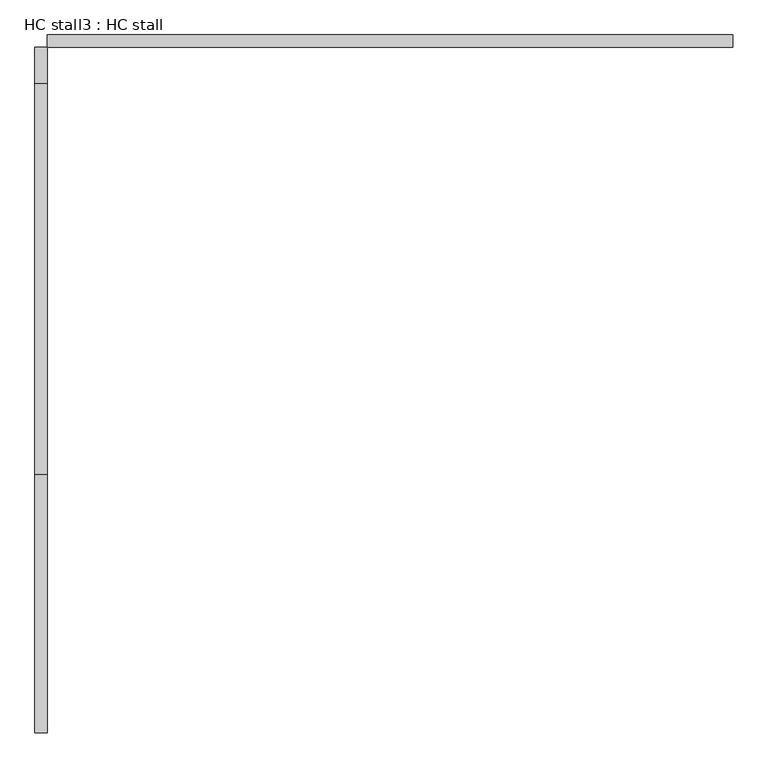
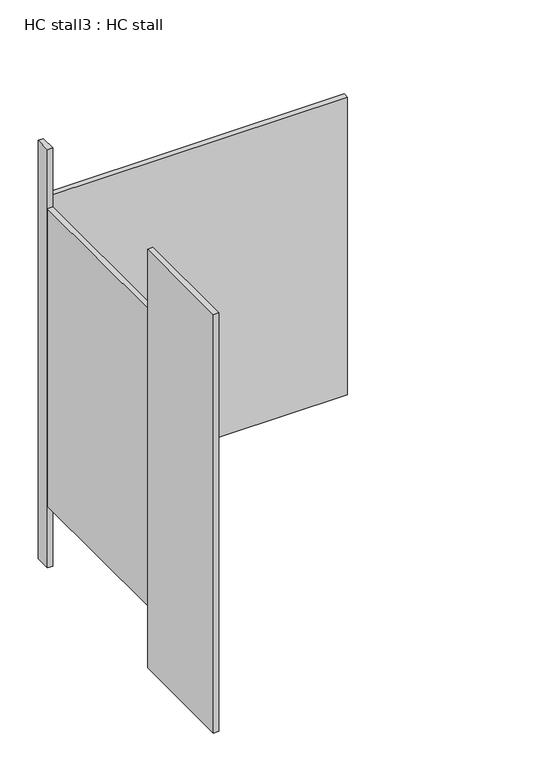
"""IFC4 building model written with IfcOpenShell, lengths in millimetres: proxy geometry, HC stall3 : HC stall."""

import ifcopenshell
import ifcopenshell.guid

model = None  # the IFC model being written
_history = None  # IfcOwnerHistory: only IFC2X3 demands one
_inside = {}  # id of a spatial element -> (the spatial element, [elements in it])
_under = {}  # id of a project, library or spatial element -> (it, [spatial elements below it])
_declared = {}  # id of a project -> (the project, [libraries it declares])
_typed = {}  # id of a type object -> (the type object, [elements of that type])
_made_of = {}  # id of a material, layer set ... -> (it, [elements and type objects made of it])


def new_model(schema):
    """Start an empty IFC model of exactly this schema.

    Asked for "IFC4X3", IfcOpenShell would pick the latest addendum, in which some entities
    have other attributes; the version numbers below select the first issue.
    IFC2X3 requires an IfcOwnerHistory on every rooted entity: one is made here for all.
    """
    global model, _history
    if schema == "IFC4X3":
        model = ifcopenshell.file(schema_version=(4, 3, 0, 0))
    else:
        model = ifcopenshell.file(schema=schema)
    _inside.clear()
    _under.clear()
    _declared.clear()
    _typed.clear()
    _made_of.clear()
    _history = None
    if model.schema == "IFC2X3":
        org = make("IfcOrganization", Name="unknown")
        user = make(
            "IfcPersonAndOrganization",
            ThePerson=make("IfcPerson", FamilyName="unknown"),
            TheOrganization=org,
        )
        app = make(
            "IfcApplication",
            ApplicationDeveloper=org,
            Version="unknown",
            ApplicationFullName="unknown",
            ApplicationIdentifier="unknown",
        )
        _history = make(
            "IfcOwnerHistory",
            OwningUser=user,
            OwningApplication=app,
            ChangeAction="ADDED",
            CreationDate=0,
        )
    return model


def make(cls, **values):
    """One entity of the class cls with the attributes given. An attribute that is None is left unset."""
    return model.create_entity(
        cls, **{name: value for name, value in values.items() if value is not None}
    )


def rooted(cls, **values):
    """An entity with a GlobalId (a new one), such as an element, a storey or a relation."""
    return make(cls, GlobalId=ifcopenshell.guid.new(), OwnerHistory=_history, **values)


def si_unit(unit_type, name, prefix=None):
    """IfcSIUnit, for example si_unit("LENGTHUNIT", "METRE", prefix="MILLI")."""
    return make("IfcSIUnit", UnitType=unit_type, Prefix=prefix, Name=name)


def assignment(units):
    """IfcUnitAssignment: the units of a project."""
    return None if units is None else make("IfcUnitAssignment", Units=units)


def point(xyz):
    """IfcCartesianPoint."""
    return None if xyz is None else make("IfcCartesianPoint", Coordinates=xyz)


def direction(xyz):
    """IfcDirection."""
    return None if xyz is None else make("IfcDirection", DirectionRatios=xyz)


def frame(location, z_axis=None, x_axis=None):
    """IfcAxis2Placement3D, a coordinate frame: its origin and axes. An axis left out is left unset."""
    return make(
        "IfcAxis2Placement3D",
        Location=point(location),
        Axis=direction(z_axis),
        RefDirection=direction(x_axis),
    )


def origin():
    """The frame at (0, 0, 0) with its axes left unset."""
    return frame((0.0, 0.0, 0.0))


def origin_with_axes():
    """The frame at (0, 0, 0) with the z axis (0, 0, 1) and the x axis (1, 0, 0) written out."""
    return frame((0.0, 0.0, 0.0), z_axis=(0.0, 0.0, 1.0), x_axis=(1.0, 0.0, 0.0))


def place(relative_to, where):
    """IfcLocalPlacement: puts the frame where relative to a parent placement (None: the world)."""
    return make(
        "IfcLocalPlacement", PlacementRelTo=relative_to, RelativePlacement=where
    )


def context(
    kind, dimensions, precision=None, world=None, true_north=None, identifier=None
):
    """IfcGeometricRepresentationContext, for example the 3D "Model" context."""
    return make(
        "IfcGeometricRepresentationContext",
        ContextIdentifier=identifier,
        ContextType=kind,
        CoordinateSpaceDimension=dimensions,
        Precision=precision,
        WorldCoordinateSystem=world,
        TrueNorth=true_north,
    )


def project(units=None, contexts=None):
    """IfcProject with its units and contexts."""
    return rooted(
        "IfcProject",
        Name="project",
        RepresentationContexts=contexts,
        UnitsInContext=assignment(units),
    )


def spatial(cls, under=None, at=None, **own):
    """A site, building, storey or space (cls), placed at a placement, below another one or the project."""
    s = rooted(cls, ObjectPlacement=at, **own)
    if under is not None:
        _under.setdefault(under.id(), (under, []))[1].append(s)
    return s


def polyline(points):
    """IfcPolyline through the points."""
    return make("IfcPolyline", Points=[point(p) for p in points])


def outline(outer, holes=None, kind="AREA"):
    """IfcArbitraryClosedProfileDef: a profile drawn as a closed curve; with holes, ...WithVoids."""
    if holes is None:
        return make("IfcArbitraryClosedProfileDef", ProfileType=kind, OuterCurve=outer)
    return make(
        "IfcArbitraryProfileDefWithVoids",
        ProfileType=kind,
        OuterCurve=outer,
        InnerCurves=holes,
    )


def extrude(swept, where, along, depth):
    """IfcExtrudedAreaSolid: the profile swept, set in the frame where, extruded along a direction by depth."""
    return make(
        "IfcExtrudedAreaSolid",
        SweptArea=swept,
        Position=where,
        ExtrudedDirection=direction(along),
        Depth=depth,
    )


def shape(context_of_items, identifier, shape_type, items):
    """IfcShapeRepresentation: the items that make up one representation, for example the "Body"."""
    return make(
        "IfcShapeRepresentation",
        ContextOfItems=context_of_items,
        RepresentationIdentifier=identifier,
        RepresentationType=shape_type,
        Items=items,
    )


def source(mapping_origin, context_of_items, identifier, shape_type, items):
    """IfcRepresentationMap: a shape defined once, which mapped items show again and again."""
    return make(
        "IfcRepresentationMap",
        MappingOrigin=mapping_origin,
        MappedRepresentation=shape(context_of_items, identifier, shape_type, items),
    )


def transform(
    local_origin,
    x_axis=None,
    y_axis=None,
    z_axis=None,
    scale=None,
    scale2=None,
    scale3=None,
    uniform=True,
):
    """IfcCartesianTransformationOperator3D, or its non-uniform kind. x_axis, y_axis, z_axis: its Axis1, 2, 3."""
    if uniform:
        return make(
            "IfcCartesianTransformationOperator3D",
            Axis1=direction(x_axis),
            Axis2=direction(y_axis),
            LocalOrigin=point(local_origin),
            Scale=scale,
            Axis3=direction(z_axis),
        )
    return make(
        "IfcCartesianTransformationOperator3DnonUniform",
        Axis1=direction(x_axis),
        Axis2=direction(y_axis),
        LocalOrigin=point(local_origin),
        Scale=scale,
        Axis3=direction(z_axis),
        Scale2=scale2,
        Scale3=scale3,
    )


def mapped(mapping_source, mapping_target):
    """IfcMappedItem: shows the shape of a source again, moved by a transform."""
    return make(
        "IfcMappedItem", MappingSource=mapping_source, MappingTarget=mapping_target
    )


def made_of(thing, what):
    """Note that an element or type object is made of a material, layer set ...; save() writes the relation."""
    if what is not None:
        _made_of.setdefault(what.id(), (what, []))[1].append(thing)
    return thing


def element(
    cls,
    number,
    at=None,
    inside=None,
    cuts=None,
    type_object=None,
    material=None,
    context=None,
    identifier="Body",
    shape_type=None,
    held_by="IfcProductDefinitionShape",
    body=None,
    shapes=None,
    **own,
):
    """One element of the class cls, such as IfcWall. Its Tag is "e" and its number.

    at: its placement. inside: the storey or other place that contains it. cuts: it is an
    opening in that element (IfcRelVoidsElement). A single representation is given by context,
    identifier, shape_type and body (its items); several are given by shapes. held_by: the class
    of the entity that holds the representations. save() writes the other relations.
    """
    e = rooted(cls, Tag="e%d" % number, ObjectPlacement=at, **own)
    if body is not None:
        shapes = [shape(context, identifier, shape_type, body)]
    if shapes is not None:
        e.Representation = make(held_by, Representations=shapes)
    if inside is not None:
        _inside.setdefault(inside.id(), (inside, []))[1].append(e)
    if cuts is not None:
        rooted(
            "IfcRelVoidsElement", RelatingBuildingElement=cuts, RelatedOpeningElement=e
        )
    if type_object is not None:
        _typed.setdefault(type_object.id(), (type_object, []))[1].append(e)
    return made_of(e, material)


def aggregate(whole, parts):
    """IfcRelAggregates: a whole, such as a stair, and the parts it consists of."""
    return rooted("IfcRelAggregates", RelatingObject=whole, RelatedObjects=parts)


def save(model, path):
    """Write the relations noted so far, then the file.

    IfcRelAggregates (storeys below a building ...), IfcRelContainedInSpatialStructure (elements
    in a storey), IfcRelDefinesByType, IfcRelAssociatesMaterial and IfcRelDeclares: one each for
    every whole, place, type object, material and project.
    """
    for whole, parts in _under.values():
        aggregate(whole, parts)
    for where, things in _inside.values():
        rooted(
            "IfcRelContainedInSpatialStructure",
            RelatedElements=things,
            RelatingStructure=where,
        )
    for kind, things in _typed.values():
        rooted("IfcRelDefinesByType", RelatedObjects=things, RelatingType=kind)
    for what, things in _made_of.values():
        rooted("IfcRelAssociatesMaterial", RelatedObjects=things, RelatingMaterial=what)
    for by, libraries in _declared.values():
        rooted("IfcRelDeclares", RelatingContext=by, RelatedDefinitions=libraries)
    model.write(path)


def hc_stall3_hc_stall_5191aeb3(model_context):
    return source(origin(), model_context, "Body", "SweptSolid", [
        extrude(outline(polyline([(456080.6004676, -274951.0113632), (456080.6004676, -274976.4113632), (454658.2004676, -274976.4113632), (454658.2004676, -274951.0113632), (456080.6004676, -274951.0113632)])), frame((0.0, 0.0, 304.8), z_axis=(0.0, 0.0, 1.0), x_axis=(1.0, 0.0, 0.0)), (0.0, 0.0, 1.0), 1473.2),
        extrude(outline(polyline([(454658.2004676, -275863.8238632), (454658.2004676, -276398.8113632), (454632.8004676, -276398.8113632), (454632.8004676, -275863.8238632), (454658.2004676, -275863.8238632)])), origin_with_axes(), (0.0, 0.0, 1.0), 2070.1),
        extrude(outline(polyline([(454658.2004676, -274976.4113632), (454658.2004676, -275051.0238632), (454632.8004676, -275051.0238632), (454632.8004676, -274976.4113632), (454658.2004676, -274976.4113632)])), origin_with_axes(), (0.0, 0.0, 1.0), 2070.1),
        extrude(outline(polyline([(454658.2004676, -275051.0238632), (454658.2004676, -275863.8238632), (454632.8004676, -275863.8238632), (454632.8004676, -275051.0238632), (454658.2004676, -275051.0238632)])), frame((0.0, 0.0, 304.8), z_axis=(0.0, 0.0, 1.0), x_axis=(1.0, 0.0, 0.0)), (0.0, 0.0, 1.0), 1473.2),
    ])


if __name__ == "__main__":
    model = new_model("IFC4")
    model_context = context("Model", 3, world=origin())
    ifc_project = project(units=[si_unit("LENGTHUNIT", "METRE", prefix="MILLI")], contexts=[model_context])
    site = spatial("IfcSite", under=ifc_project)
    building = spatial("IfcBuilding", under=site)
    placement = place(None, origin())
    hc_stall3_hc_stall_shape = hc_stall3_hc_stall_5191aeb3(model_context)
    element("IfcBuildingElementProxy", 1, Name="HC stall3 : HC stall", ObjectType="HC stall3 : HC stall", at=placement, inside=building, context=model_context, shape_type="MappedRepresentation", body=[
        mapped(hc_stall3_hc_stall_shape, transform((0.0, 0.0, 0.0), x_axis=(1.0, 0.0, 0.0), y_axis=(0.0, 1.0, 0.0), z_axis=(0.0, 0.0, 1.0))),
    ])
    save(model, "model.ifc")
